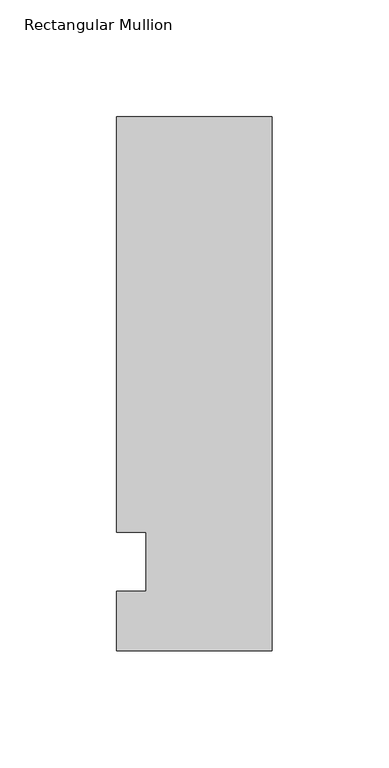
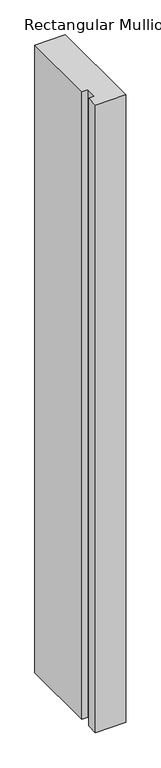
"""IFC4 building model written with IfcOpenShell, lengths in millimetres: member geometry, Rectangular Mullion."""

from ifc_helpers import new_model, si_unit, frame, origin, place, context, project, spatial, polyline, outline, extrude, source, transform, mapped, element, save


def rectangular_mullion_8f3e293e(model_context):
    return source(origin(), model_context, "Body", "SweptSolid", [
        extrude(outline(polyline([(-66.675, 190.5), (0.0, 190.5), (0.0, -38.1), (-66.675, -38.1), (-66.675, -12.7), (-53.9732296, -12.7), (-53.9732296, 12.7), (-66.675, 12.7), (-66.675, 190.5)])), frame((0.0, 0.0, -1449.9166667), z_axis=(0.0, 0.0, 1.0), x_axis=(1.0, 0.0, 0.0)), (0.0, 0.0, 1.0), 1449.9166667),
    ])


if __name__ == "__main__":
    model = new_model("IFC4")
    model_context = context("Model", 3, world=origin())
    ifc_project = project(units=[si_unit("LENGTHUNIT", "METRE", prefix="MILLI")], contexts=[model_context])
    site = spatial("IfcSite", under=ifc_project)
    building = spatial("IfcBuilding", under=site)
    placement = place(None, origin())
    rectangular_mullion_shape = rectangular_mullion_8f3e293e(model_context)
    element("IfcMember", 1, ObjectType="Rectangular Mullion", at=placement, inside=building, context=model_context, shape_type="MappedRepresentation", body=[
        mapped(rectangular_mullion_shape, transform((0.0, 0.0, 0.0), x_axis=(1.0, 0.0, 0.0), y_axis=(0.0, 1.0, 0.0), z_axis=(0.0, 0.0, 1.0))),
    ])
    save(model, "model.ifc")
